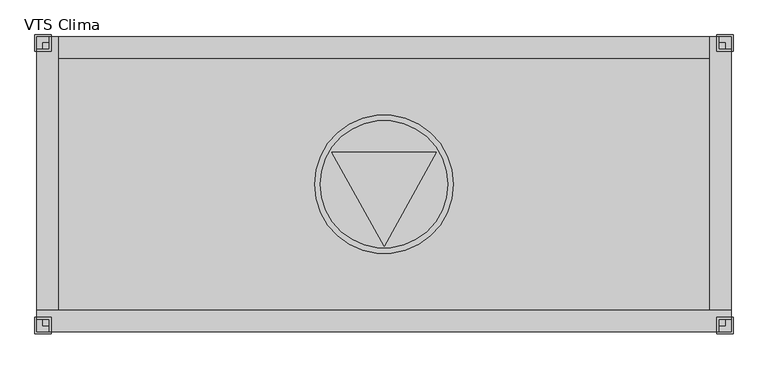
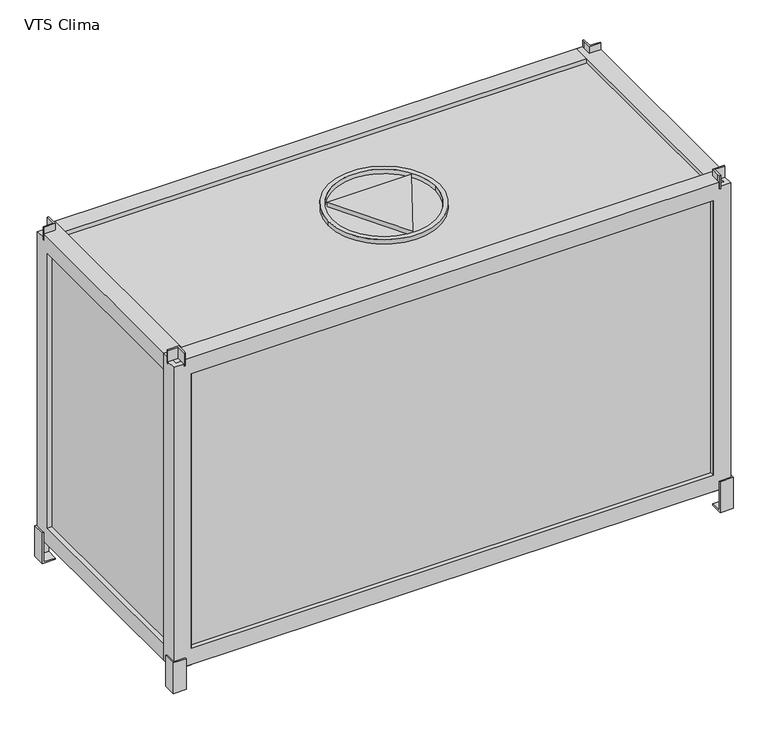
"""IFC4 building model written with IfcOpenShell, lengths in millimetres: proxy geometry, VTS Clima."""

from ifc_helpers import new_model, si_unit, point, frame, origin, origin_2d, place, context, project, spatial, polyline, circle_curve, trimmed, segment, composite_curve, outline, extrude, faceted_brep, source, transform, mapped, element, save


def vts_clima_f971244d(model_context):
    return source(origin(), model_context, "Body", "SolidModel", [
        faceted_brep([(575.0, -229.9999993, 765.0), (575.0, -248.3098058, 765.0), (575.0, -254.9999993, 765.0), (578.0, -254.9999993, 765.0), (578.0, -232.9999993, 765.0), (600.0, -232.9999993, 765.0), (600.0, -229.9999993, 765.0), (575.0, -229.9999993, 735.0), (600.0, -229.9999993, 735.0), (600.0, -232.9999993, 735.0), (578.0, -232.9999993, 735.0), (578.0, -254.9999993, 735.0), (575.0, -254.9999993, 735.0), (575.0, -248.3098058, 735.0), (578.0, -254.9999993, 750.0), (578.0, -232.9999993, 750.0), (600.0, -232.9999993, 750.0)], [[[0, 1, 2, 3, 4, 5, 6]], [[7, 8, 9, 10, 11, 12, 13]], [[1, 0, 7, 13]], [[2, 1, 13, 12]], [[3, 2, 12, 11, 14]], [[4, 3, 14, 11, 10, 15]], [[5, 4, 15, 10, 9, 16]], [[6, 5, 16, 9, 8]], [[0, 6, 8, 7]]]),
        faceted_brep([(-575.0, -229.9999993, 765.0), (-600.0, -229.9999993, 765.0), (-600.0, -232.9999993, 765.0), (-578.0, -232.9999993, 765.0), (-578.0, -254.9999993, 765.0), (-575.0, -254.9999993, 765.0), (-575.0, -248.3098058, 765.0), (-575.0, -229.9999993, 735.0), (-575.0, -248.3098058, 735.0), (-575.0, -254.9999993, 735.0), (-578.0, -254.9999993, 735.0), (-578.0, -232.9999993, 735.0), (-600.0, -232.9999993, 735.0), (-600.0, -229.9999993, 735.0), (-578.0, -254.9999993, 750.0), (-578.0, -232.9999993, 750.0), (-600.0, -232.9999993, 750.0)], [[[0, 1, 2, 3, 4, 5, 6]], [[7, 8, 9, 10, 11, 12, 13]], [[6, 8, 7, 0]], [[5, 9, 8, 6]], [[4, 14, 10, 9, 5]], [[3, 15, 11, 10, 14, 4]], [[2, 16, 12, 11, 15, 3]], [[1, 13, 12, 16, 2]], [[0, 7, 13, 1]]]),
        faceted_brep([(575.0, 230.0, 765.0), (600.0, 230.0, 765.0), (600.0, 233.0, 765.0), (578.0, 233.0, 765.0), (578.0, 255.0, 765.0), (575.0, 255.0, 765.0), (575.0, 248.3098065, 765.0), (575.0, 230.0, 735.0), (575.0, 248.3098065, 735.0), (575.0, 255.0, 735.0), (578.0, 255.0, 735.0), (578.0, 233.0, 735.0), (600.0, 233.0, 735.0), (600.0, 230.0, 735.0), (578.0, 255.0, 750.0), (578.0, 233.0, 750.0), (600.0, 233.0, 750.0)], [[[0, 1, 2, 3, 4, 5, 6]], [[7, 8, 9, 10, 11, 12, 13]], [[6, 8, 7, 0]], [[5, 9, 8, 6]], [[4, 14, 10, 9, 5]], [[3, 15, 11, 10, 14, 4]], [[2, 16, 12, 11, 15, 3]], [[1, 13, 12, 16, 2]], [[0, 7, 13, 1]]]),
        faceted_brep([(-575.0, 230.0, 765.0), (-575.0, 248.3098065, 765.0), (-575.0, 255.0, 765.0), (-578.0, 255.0, 765.0), (-578.0, 233.0, 765.0), (-600.0, 233.0, 765.0), (-600.0, 230.0, 765.0), (-575.0, 230.0, 735.0), (-600.0, 230.0, 735.0), (-600.0, 233.0, 735.0), (-578.0, 233.0, 735.0), (-578.0, 255.0, 735.0), (-575.0, 255.0, 735.0), (-575.0, 248.3098065, 735.0), (-578.0, 255.0, 750.0), (-578.0, 233.0, 750.0), (-600.0, 233.0, 750.0)], [[[0, 1, 2, 3, 4, 5, 6]], [[7, 8, 9, 10, 11, 12, 13]], [[1, 0, 7, 13]], [[2, 1, 13, 12]], [[3, 2, 12, 11, 14]], [[4, 3, 14, 11, 10, 15]], [[5, 4, 15, 10, 9, 16]], [[6, 5, 16, 9, 8]], [[0, 6, 8, 7]]]),
        faceted_brep([(602.9999993, -230.0, 70.0), (599.9999993, -230.0, 70.0), (599.9999993, -255.0, 70.0), (574.9999993, -255.0, 70.0), (574.9999993, -258.0, 70.0), (602.9999993, -258.0, 70.0), (602.9999993, -230.0, 0.0), (602.9999993, -258.0, 0.0), (574.9999993, -258.0, 0.0), (574.978616, -229.9647196, 0.0), (574.978616, -230.0, 3.0), (599.9999993, -230.0, 3.0), (599.9999993, -255.0, 3.0), (574.9999993, -255.0, 3.0), (602.9999993, -258.0, 3.0)], [[[0, 1, 2, 3, 4, 5]], [[6, 7, 8, 9]], [[1, 0, 6, 9, 10, 11]], [[2, 1, 11, 12]], [[3, 2, 12, 13]], [[4, 3, 13, 10, 9, 8]], [[5, 4, 8, 7, 14]], [[6, 0, 5, 14, 7]], [[11, 10, 13, 12]]]),
        faceted_brep([(-602.9999993, -230.0, 70.0), (-602.9999993, -258.0, 70.0), (-574.9999993, -258.0, 70.0), (-574.9999993, -255.0, 70.0), (-599.9999993, -255.0, 70.0), (-599.9999993, -230.0, 70.0), (-602.9999993, -230.0, 0.0), (-574.978616, -229.9647196, 0.0), (-574.9999993, -258.0, 0.0), (-602.9999993, -258.0, 0.0), (-599.9999993, -230.0, 3.0), (-574.978616, -230.0, 3.0), (-599.9999993, -255.0, 3.0), (-574.9999993, -255.0, 3.0), (-602.9999993, -258.0, 3.0)], [[[0, 1, 2, 3, 4, 5]], [[6, 7, 8, 9]], [[5, 10, 11, 7, 6, 0]], [[4, 12, 10, 5]], [[3, 13, 12, 4]], [[2, 8, 7, 11, 13, 3]], [[1, 14, 9, 8, 2]], [[6, 9, 14, 1, 0]], [[10, 12, 13, 11]]]),
        faceted_brep([(602.9999993, 230.0, 70.0), (602.9999993, 258.0, 70.0), (574.9999993, 258.0, 70.0), (574.9999993, 255.0, 70.0), (599.9999993, 255.0, 70.0), (599.9999993, 230.0, 70.0), (602.9999993, 230.0, 0.0), (574.978616, 229.9647196, 0.0), (574.9999993, 258.0, 0.0), (602.9999993, 258.0, 0.0), (599.9999993, 230.0, 3.0), (574.978616, 230.0, 3.0), (599.9999993, 255.0, 3.0), (574.9999993, 255.0, 3.0), (602.9999993, 258.0, 3.0)], [[[0, 1, 2, 3, 4, 5]], [[6, 7, 8, 9]], [[5, 10, 11, 7, 6, 0]], [[4, 12, 10, 5]], [[3, 13, 12, 4]], [[2, 8, 7, 11, 13, 3]], [[1, 14, 9, 8, 2]], [[6, 9, 14, 1, 0]], [[10, 12, 13, 11]]]),
        faceted_brep([(-602.9999993, 230.0, 70.0), (-599.9999993, 230.0, 70.0), (-599.9999993, 255.0, 70.0), (-574.9999993, 255.0, 70.0), (-574.9999993, 258.0, 70.0), (-602.9999993, 258.0, 70.0), (-602.9999993, 230.0, 0.0), (-602.9999993, 258.0, 0.0), (-574.9999993, 258.0, 0.0), (-574.978616, 229.9647196, 0.0), (-574.978616, 230.0, 3.0), (-599.9999993, 230.0, 3.0), (-599.9999993, 255.0, 3.0), (-574.9999993, 255.0, 3.0), (-602.9999993, 258.0, 3.0)], [[[0, 1, 2, 3, 4, 5]], [[6, 7, 8, 9]], [[1, 0, 6, 9, 10, 11]], [[2, 1, 11, 12]], [[3, 2, 12, 13]], [[4, 3, 13, 10, 9, 8]], [[5, 4, 8, 7, 14]], [[6, 0, 5, 14, 7]], [[11, 10, 13, 12]]]),
        extrude(outline(composite_curve([segment(trimmed(circle_curve(origin_2d(), 120.0), [point((-120.0, 0.0))], [point((120.0, 0.0))], False, "CARTESIAN"), True, "CONTINUOUS"), segment(trimmed(circle_curve(origin_2d(), 120.0), [point((120.0, 0.0))], [point((-120.0, 0.0))], False, "CARTESIAN"), True, "CONTINUOUS")], self_intersect=False), holes=[composite_curve([segment(trimmed(circle_curve(origin_2d(), 110.0), [point((-110.0, 0.0))], [point((110.0, 0.0))], True, "CARTESIAN"), True, "CONTINUOUS"), segment(trimmed(circle_curve(origin_2d(), 110.0), [point((110.0, 0.0))], [point((-110.0, 0.0))], True, "CARTESIAN"), True, "CONTINUOUS")], self_intersect=False)]), frame((0.0, 0.0, 740.0), z_axis=(0.0, 0.0, 1.0), x_axis=(1.0, 0.0, 0.0)), (0.0, 0.0, 1.0), 10.0),
        extrude(outline(polyline([(0.0, -106.9756158), (-90.2627944, 55.0), (90.2627944, 55.0), (0.0, -106.9756158)])), frame((0.0, 0.0, 740.0), z_axis=(0.0, 0.0, 1.0), x_axis=(1.0, 0.0, 0.0)), (0.0, 0.0, 1.0), 10.0),
        faceted_brep([(-600.0, -217.4999993, 750.0), (-600.0, -217.4999993, 50.0), (-600.0, -254.9999993, 50.0), (-600.0, -254.9999993, 740.0), (-600.0, -232.9999993, 740.0), (-600.0, -232.9999993, 750.0), (-562.5, -244.9999993, 712.5), (-562.5, -254.9999993, 712.5), (-562.5, -254.9999993, 87.5), (-562.5, -244.9999993, 87.5), (-589.999999, -244.9999993, 739.999999), (-589.999999, -244.9999993, 60.000001), (-589.999999, -217.4999993, 60.000001), (-589.999999, -217.4999993, 739.999999), (-589.999999, -232.9999993, 739.999999), (600.0, -217.4999993, 50.0), (600.0, -254.9999993, 50.0), (562.5, -254.9999993, 87.5), (562.5, -244.9999993, 87.5), (589.999999, -244.9999993, 60.000001), (589.999999, -217.4999993, 60.000001), (600.0, -217.4999993, 750.0), (600.0, -232.9999993, 750.0), (600.0, -232.9999993, 740.0), (600.0, -254.9999993, 740.0), (562.5, -254.9999993, 712.5), (562.5, -244.9999993, 712.5), (589.999999, -244.9999993, 739.999999), (589.999999, -232.9999993, 740.0), (589.999999, -217.4999993, 739.999999), (-578.0, -232.9999993, 750.0), (-578.0, -254.9999993, 750.0), (578.0, -254.9999993, 750.0), (578.0, -232.9999993, 750.0), (578.0, -254.9999993, 740.0), (-578.0, -254.9999993, 740.0), (-578.0, -244.9999993, 740.0), (578.0, -244.9999993, 739.999999), (578.0, -232.9999993, 739.999999), (-578.0, -232.9999993, 739.999999)], [[[0, 1, 2, 3, 4, 5]], [[6, 7, 8, 9]], [[10, 11, 12, 13, 14]], [[2, 1, 15, 16]], [[9, 8, 17, 18]], [[12, 11, 19, 20]], [[16, 15, 21, 22, 23, 24]], [[18, 17, 25, 26]], [[20, 19, 27, 28, 29]], [[21, 0, 5, 30, 31, 32, 33, 22]], [[2, 16, 24, 34, 32, 31, 35, 3], [8, 7, 25, 17]], [[7, 6, 26, 25]], [[11, 10, 36, 37, 27, 19], [6, 9, 18, 26]], [[13, 29, 28, 38, 37, 36, 39, 14]], [[1, 0, 21, 15], [13, 12, 20, 29]], [[34, 37, 38, 33, 32]], [[33, 38, 28, 23, 22]], [[37, 34, 24, 23, 28, 27]], [[30, 39, 36, 35, 31]], [[39, 30, 5, 4, 14]], [[35, 36, 10, 14, 4, 3]]]),
        faceted_brep([(562.4999993, -255.0, 750.0), (562.4999993, -255.0, 50.0), (599.9999993, -255.0, 50.0), (599.9999993, -255.0, 740.0), (578.0, -255.0, 740.0), (578.0, -255.0, 750.0), (589.9999993, -217.5, 712.5), (599.9999993, -217.5, 712.5), (599.9999993, -217.5, 87.5), (589.9999993, -217.5, 87.5), (589.9999993, -244.999999, 739.999999), (589.9999993, -244.999999, 60.000001), (562.4999993, -244.999999, 60.000001), (562.4999993, -244.999999, 739.999999), (578.0, -244.999999, 739.999999), (562.4999993, 255.0, 50.0), (599.9999993, 255.0, 50.0), (599.9999993, 217.5, 87.5), (589.9999993, 217.5, 87.5), (589.9999993, 244.999999, 60.000001), (562.4999993, 244.999999, 60.000001), (562.4999993, 255.0, 750.0), (578.0, 255.0, 750.0), (578.0, 255.0, 740.0), (599.9999993, 255.0, 740.0), (599.9999993, 217.5, 712.5), (589.9999993, 217.5, 712.5), (589.9999993, 244.999999, 739.999999), (578.0, 244.999999, 740.0), (562.4999993, 244.999999, 739.999999), (578.0, -232.9999993, 750.0), (599.9999993, -232.9999993, 750.0), (599.9999993, 233.0000007, 750.0), (578.0, 233.0000007, 750.0), (599.9999993, 233.0000007, 740.0), (599.9999993, -232.9999993, 740.0), (589.9999993, -232.9999993, 740.0), (589.9999993, 233.0000007, 739.999999), (578.0, 233.0000007, 739.999999), (578.0, -232.9999993, 739.999999)], [[[0, 1, 2, 3, 4, 5]], [[6, 7, 8, 9]], [[10, 11, 12, 13, 14]], [[2, 1, 15, 16]], [[9, 8, 17, 18]], [[12, 11, 19, 20]], [[16, 15, 21, 22, 23, 24]], [[18, 17, 25, 26]], [[20, 19, 27, 28, 29]], [[21, 0, 5, 30, 31, 32, 33, 22]], [[2, 16, 24, 34, 32, 31, 35, 3], [8, 7, 25, 17]], [[7, 6, 26, 25]], [[11, 10, 36, 37, 27, 19], [6, 9, 18, 26]], [[13, 29, 28, 38, 37, 36, 39, 14]], [[1, 0, 21, 15], [13, 12, 20, 29]], [[33, 38, 28, 23, 22]], [[38, 33, 32, 34, 37]], [[23, 28, 27, 37, 34, 24]], [[4, 14, 39, 30, 5]], [[30, 39, 36, 35, 31]], [[14, 4, 3, 35, 36, 10]]]),
        faceted_brep([(-562.4999993, 255.0, 750.0), (-562.4999993, 255.0, 50.0), (-599.9999993, 255.0, 50.0), (-599.9999993, 255.0, 740.0), (-578.0, 255.0, 740.0), (-578.0, 255.0, 750.0), (-589.9999993, 217.5, 712.5), (-599.9999993, 217.5, 712.5), (-599.9999993, 217.5, 87.5), (-589.9999993, 217.5, 87.5), (-589.9999993, 244.999999, 739.999999), (-589.9999993, 244.999999, 60.000001), (-562.4999993, 244.999999, 60.000001), (-562.4999993, 244.999999, 739.999999), (-578.0, 244.999999, 739.999999), (-562.4999993, -255.0, 50.0), (-599.9999993, -255.0, 50.0), (-599.9999993, -217.5, 87.5), (-589.9999993, -217.5, 87.5), (-589.9999993, -244.999999, 60.000001), (-562.4999993, -244.999999, 60.000001), (-562.4999993, -255.0, 750.0), (-578.0, -255.0, 750.0), (-578.0, -255.0, 740.0), (-599.9999993, -255.0, 740.0), (-599.9999993, -217.5, 712.5), (-589.9999993, -217.5, 712.5), (-589.9999993, -244.999999, 739.999999), (-578.0, -244.999999, 740.0), (-562.4999993, -244.999999, 739.999999), (-578.0, 233.0000007, 750.0), (-599.9999993, 233.0000007, 750.0), (-599.9999993, -232.9999993, 750.0), (-578.0, -232.9999993, 750.0), (-599.9999993, -232.9999993, 740.0), (-599.9999993, 233.0000007, 740.0), (-589.9999993, 233.0000007, 740.0), (-589.9999993, -232.9999993, 739.999999), (-578.0, -232.9999993, 739.999999), (-578.0, 233.0000007, 739.999999)], [[[0, 1, 2, 3, 4, 5]], [[6, 7, 8, 9]], [[10, 11, 12, 13, 14]], [[2, 1, 15, 16]], [[9, 8, 17, 18]], [[12, 11, 19, 20]], [[16, 15, 21, 22, 23, 24]], [[18, 17, 25, 26]], [[20, 19, 27, 28, 29]], [[21, 0, 5, 30, 31, 32, 33, 22]], [[2, 16, 24, 34, 32, 31, 35, 3], [8, 7, 25, 17]], [[7, 6, 26, 25]], [[11, 10, 36, 37, 27, 19], [6, 9, 18, 26]], [[13, 29, 28, 38, 37, 36, 39, 14]], [[1, 0, 21, 15], [13, 12, 20, 29]], [[4, 14, 39, 30, 5]], [[30, 39, 36, 35, 31]], [[14, 4, 3, 35, 36, 10]], [[33, 38, 28, 23, 22]], [[38, 33, 32, 34, 37]], [[23, 28, 27, 37, 34, 24]]]),
        faceted_brep([(600.0, 217.4999993, 750.0), (600.0, 217.4999993, 50.0), (600.0, 254.9999993, 50.0), (600.0, 254.9999993, 740.0), (600.0, 233.0000007, 740.0), (600.0, 233.0000007, 750.0), (562.5, 244.9999993, 712.5), (562.5, 254.9999993, 712.5), (562.5, 254.9999993, 87.5), (562.5, 244.9999993, 87.5), (589.999999, 244.9999993, 739.999999), (589.999999, 244.9999993, 60.000001), (589.999999, 217.4999993, 60.000001), (589.999999, 217.4999993, 739.999999), (589.999999, 233.0000007, 739.999999), (-600.0, 217.4999993, 50.0), (-600.0, 254.9999993, 50.0), (-562.5, 254.9999993, 87.5), (-562.5, 244.9999993, 87.5), (-589.999999, 244.9999993, 60.000001), (-589.999999, 217.4999993, 60.000001), (-600.0, 217.4999993, 750.0), (-600.0, 233.0000007, 750.0), (-600.0, 233.0000007, 740.0), (-600.0, 254.9999993, 740.0), (-562.5, 254.9999993, 712.5), (-562.5, 244.9999993, 712.5), (-589.999999, 244.9999993, 739.999999), (-589.999999, 233.0000007, 740.0), (-589.999999, 217.4999993, 739.999999), (578.0, 233.0000007, 750.0), (578.0, 254.9999993, 750.0), (-578.0, 254.9999993, 750.0), (-578.0, 233.0000007, 750.0), (-578.0, 254.9999993, 740.0), (578.0, 254.9999993, 740.0), (578.0, 244.9999993, 740.0), (-578.0, 244.9999993, 739.999999), (-578.0, 233.0000007, 739.999999), (578.0, 233.0000007, 739.999999)], [[[0, 1, 2, 3, 4, 5]], [[6, 7, 8, 9]], [[10, 11, 12, 13, 14]], [[2, 1, 15, 16]], [[9, 8, 17, 18]], [[12, 11, 19, 20]], [[16, 15, 21, 22, 23, 24]], [[18, 17, 25, 26]], [[20, 19, 27, 28, 29]], [[21, 0, 5, 30, 31, 32, 33, 22]], [[2, 16, 24, 34, 32, 31, 35, 3], [8, 7, 25, 17]], [[7, 6, 26, 25]], [[11, 10, 36, 37, 27, 19], [6, 9, 18, 26]], [[13, 29, 28, 38, 37, 36, 39, 14]], [[1, 0, 21, 15], [13, 12, 20, 29]], [[34, 37, 38, 33, 32]], [[33, 38, 28, 23, 22]], [[37, 34, 24, 23, 28, 27]], [[30, 39, 36, 35, 31]], [[39, 30, 5, 4, 14]], [[35, 36, 10, 14, 4, 3]]]),
        extrude(outline(polyline([(590.0, 245.0), (590.0, -245.0), (-590.0, -245.0), (-590.0, 245.0), (590.0, 245.0)])), frame((0.0, 0.0, 60.0), z_axis=(0.0, 0.0, 1.0), x_axis=(1.0, 0.0, 0.0)), (0.0, 0.0, 1.0), 680.0),
    ])


if __name__ == "__main__":
    model = new_model("IFC4")
    model_context = context("Model", 3, world=origin())
    ifc_project = project(units=[si_unit("LENGTHUNIT", "METRE", prefix="MILLI")], contexts=[model_context])
    site = spatial("IfcSite", under=ifc_project)
    building = spatial("IfcBuilding", under=site)
    placement = place(None, origin())
    vts_clima_shape = vts_clima_f971244d(model_context)
    element("IfcBuildingElementProxy", 1, Name="VTS Clima", ObjectType="VTS Clima", at=placement, inside=building, context=model_context, shape_type="MappedRepresentation", body=[
        mapped(vts_clima_shape, transform((0.0, 0.0, 0.0), x_axis=(1.0, 0.0, 0.0), y_axis=(0.0, 1.0, 0.0), z_axis=(0.0, 0.0, 1.0))),
    ])
    save(model, "model.ifc")
